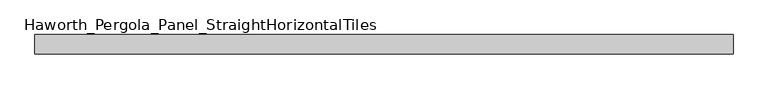
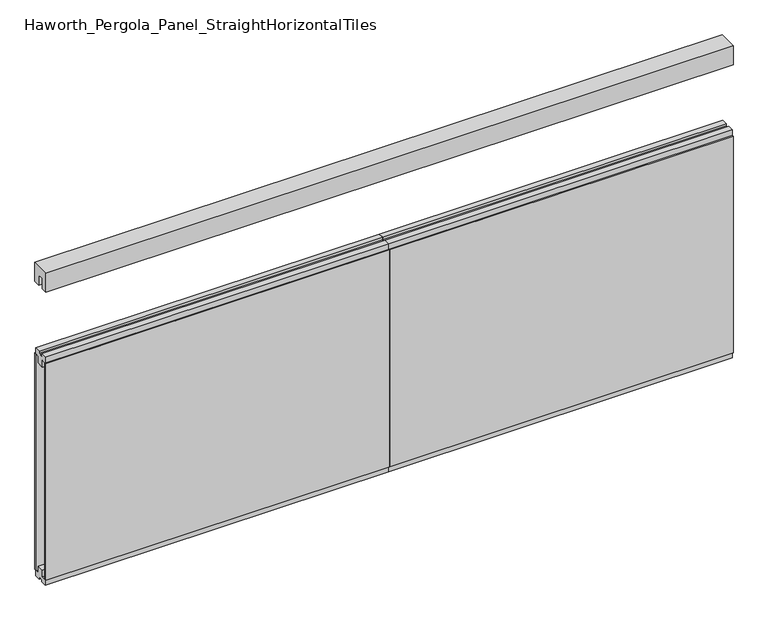
"""IFC4 building model written with IfcOpenShell, lengths in millimetres: furniture geometry, Haworth_Pergola_Panel_StraightHorizontalTiles."""

import ifcopenshell
import ifcopenshell.guid

model = None  # the IFC model being written
_history = None  # IfcOwnerHistory: only IFC2X3 demands one
_inside = {}  # id of a spatial element -> (the spatial element, [elements in it])
_under = {}  # id of a project, library or spatial element -> (it, [spatial elements below it])
_declared = {}  # id of a project -> (the project, [libraries it declares])
_typed = {}  # id of a type object -> (the type object, [elements of that type])
_made_of = {}  # id of a material, layer set ... -> (it, [elements and type objects made of it])


def new_model(schema):
    """Start an empty IFC model of exactly this schema.

    Asked for "IFC4X3", IfcOpenShell would pick the latest addendum, in which some entities
    have other attributes; the version numbers below select the first issue.
    IFC2X3 requires an IfcOwnerHistory on every rooted entity: one is made here for all.
    """
    global model, _history
    if schema == "IFC4X3":
        model = ifcopenshell.file(schema_version=(4, 3, 0, 0))
    else:
        model = ifcopenshell.file(schema=schema)
    _inside.clear()
    _under.clear()
    _declared.clear()
    _typed.clear()
    _made_of.clear()
    _history = None
    if model.schema == "IFC2X3":
        org = make("IfcOrganization", Name="unknown")
        user = make(
            "IfcPersonAndOrganization",
            ThePerson=make("IfcPerson", FamilyName="unknown"),
            TheOrganization=org,
        )
        app = make(
            "IfcApplication",
            ApplicationDeveloper=org,
            Version="unknown",
            ApplicationFullName="unknown",
            ApplicationIdentifier="unknown",
        )
        _history = make(
            "IfcOwnerHistory",
            OwningUser=user,
            OwningApplication=app,
            ChangeAction="ADDED",
            CreationDate=0,
        )
    return model


def make(cls, **values):
    """One entity of the class cls with the attributes given. An attribute that is None is left unset."""
    return model.create_entity(
        cls, **{name: value for name, value in values.items() if value is not None}
    )


def rooted(cls, **values):
    """An entity with a GlobalId (a new one), such as an element, a storey or a relation."""
    return make(cls, GlobalId=ifcopenshell.guid.new(), OwnerHistory=_history, **values)


def si_unit(unit_type, name, prefix=None):
    """IfcSIUnit, for example si_unit("LENGTHUNIT", "METRE", prefix="MILLI")."""
    return make("IfcSIUnit", UnitType=unit_type, Prefix=prefix, Name=name)


def assignment(units):
    """IfcUnitAssignment: the units of a project."""
    return None if units is None else make("IfcUnitAssignment", Units=units)


def point(xyz):
    """IfcCartesianPoint."""
    return None if xyz is None else make("IfcCartesianPoint", Coordinates=xyz)


def direction(xyz):
    """IfcDirection."""
    return None if xyz is None else make("IfcDirection", DirectionRatios=xyz)


def frame(location, z_axis=None, x_axis=None):
    """IfcAxis2Placement3D, a coordinate frame: its origin and axes. An axis left out is left unset."""
    return make(
        "IfcAxis2Placement3D",
        Location=point(location),
        Axis=direction(z_axis),
        RefDirection=direction(x_axis),
    )


def origin():
    """The frame at (0, 0, 0) with its axes left unset."""
    return frame((0.0, 0.0, 0.0))


def place(relative_to, where):
    """IfcLocalPlacement: puts the frame where relative to a parent placement (None: the world)."""
    return make(
        "IfcLocalPlacement", PlacementRelTo=relative_to, RelativePlacement=where
    )


def context(
    kind, dimensions, precision=None, world=None, true_north=None, identifier=None
):
    """IfcGeometricRepresentationContext, for example the 3D "Model" context."""
    return make(
        "IfcGeometricRepresentationContext",
        ContextIdentifier=identifier,
        ContextType=kind,
        CoordinateSpaceDimension=dimensions,
        Precision=precision,
        WorldCoordinateSystem=world,
        TrueNorth=true_north,
    )


def project(units=None, contexts=None):
    """IfcProject with its units and contexts."""
    return rooted(
        "IfcProject",
        Name="project",
        RepresentationContexts=contexts,
        UnitsInContext=assignment(units),
    )


def spatial(cls, under=None, at=None, **own):
    """A site, building, storey or space (cls), placed at a placement, below another one or the project."""
    s = rooted(cls, ObjectPlacement=at, **own)
    if under is not None:
        _under.setdefault(under.id(), (under, []))[1].append(s)
    return s


def polyline(points):
    """IfcPolyline through the points."""
    return make("IfcPolyline", Points=[point(p) for p in points])


def outline(outer, holes=None, kind="AREA"):
    """IfcArbitraryClosedProfileDef: a profile drawn as a closed curve; with holes, ...WithVoids."""
    if holes is None:
        return make("IfcArbitraryClosedProfileDef", ProfileType=kind, OuterCurve=outer)
    return make(
        "IfcArbitraryProfileDefWithVoids",
        ProfileType=kind,
        OuterCurve=outer,
        InnerCurves=holes,
    )


def extrude(swept, where, along, depth):
    """IfcExtrudedAreaSolid: the profile swept, set in the frame where, extruded along a direction by depth."""
    return make(
        "IfcExtrudedAreaSolid",
        SweptArea=swept,
        Position=where,
        ExtrudedDirection=direction(along),
        Depth=depth,
    )


def shape(context_of_items, identifier, shape_type, items):
    """IfcShapeRepresentation: the items that make up one representation, for example the "Body"."""
    return make(
        "IfcShapeRepresentation",
        ContextOfItems=context_of_items,
        RepresentationIdentifier=identifier,
        RepresentationType=shape_type,
        Items=items,
    )


def source(mapping_origin, context_of_items, identifier, shape_type, items):
    """IfcRepresentationMap: a shape defined once, which mapped items show again and again."""
    return make(
        "IfcRepresentationMap",
        MappingOrigin=mapping_origin,
        MappedRepresentation=shape(context_of_items, identifier, shape_type, items),
    )


def transform(
    local_origin,
    x_axis=None,
    y_axis=None,
    z_axis=None,
    scale=None,
    scale2=None,
    scale3=None,
    uniform=True,
):
    """IfcCartesianTransformationOperator3D, or its non-uniform kind. x_axis, y_axis, z_axis: its Axis1, 2, 3."""
    if uniform:
        return make(
            "IfcCartesianTransformationOperator3D",
            Axis1=direction(x_axis),
            Axis2=direction(y_axis),
            LocalOrigin=point(local_origin),
            Scale=scale,
            Axis3=direction(z_axis),
        )
    return make(
        "IfcCartesianTransformationOperator3DnonUniform",
        Axis1=direction(x_axis),
        Axis2=direction(y_axis),
        LocalOrigin=point(local_origin),
        Scale=scale,
        Axis3=direction(z_axis),
        Scale2=scale2,
        Scale3=scale3,
    )


def mapped(mapping_source, mapping_target):
    """IfcMappedItem: shows the shape of a source again, moved by a transform."""
    return make(
        "IfcMappedItem", MappingSource=mapping_source, MappingTarget=mapping_target
    )


def made_of(thing, what):
    """Note that an element or type object is made of a material, layer set ...; save() writes the relation."""
    if what is not None:
        _made_of.setdefault(what.id(), (what, []))[1].append(thing)
    return thing


def element(
    cls,
    number,
    at=None,
    inside=None,
    cuts=None,
    type_object=None,
    material=None,
    context=None,
    identifier="Body",
    shape_type=None,
    held_by="IfcProductDefinitionShape",
    body=None,
    shapes=None,
    **own,
):
    """One element of the class cls, such as IfcWall. Its Tag is "e" and its number.

    at: its placement. inside: the storey or other place that contains it. cuts: it is an
    opening in that element (IfcRelVoidsElement). A single representation is given by context,
    identifier, shape_type and body (its items); several are given by shapes. held_by: the class
    of the entity that holds the representations. save() writes the other relations.
    """
    e = rooted(cls, Tag="e%d" % number, ObjectPlacement=at, **own)
    if body is not None:
        shapes = [shape(context, identifier, shape_type, body)]
    if shapes is not None:
        e.Representation = make(held_by, Representations=shapes)
    if inside is not None:
        _inside.setdefault(inside.id(), (inside, []))[1].append(e)
    if cuts is not None:
        rooted(
            "IfcRelVoidsElement", RelatingBuildingElement=cuts, RelatedOpeningElement=e
        )
    if type_object is not None:
        _typed.setdefault(type_object.id(), (type_object, []))[1].append(e)
    return made_of(e, material)


def aggregate(whole, parts):
    """IfcRelAggregates: a whole, such as a stair, and the parts it consists of."""
    return rooted("IfcRelAggregates", RelatingObject=whole, RelatedObjects=parts)


def save(model, path):
    """Write the relations noted so far, then the file.

    IfcRelAggregates (storeys below a building ...), IfcRelContainedInSpatialStructure (elements
    in a storey), IfcRelDefinesByType, IfcRelAssociatesMaterial and IfcRelDeclares: one each for
    every whole, place, type object, material and project.
    """
    for whole, parts in _under.values():
        aggregate(whole, parts)
    for where, things in _inside.values():
        rooted(
            "IfcRelContainedInSpatialStructure",
            RelatedElements=things,
            RelatingStructure=where,
        )
    for kind, things in _typed.values():
        rooted("IfcRelDefinesByType", RelatedObjects=things, RelatingType=kind)
    for what, things in _made_of.values():
        rooted("IfcRelAssociatesMaterial", RelatedObjects=things, RelatingMaterial=what)
    for by, libraries in _declared.values():
        rooted("IfcRelDeclares", RelatingContext=by, RelatedDefinitions=libraries)
    model.write(path)


def haworth_pergola_panel_straighthorizontaltiles_b10164fe(model_context):
    return source(origin(), model_context, "Body", "SweptSolid", [
        extrude(outline(polyline([(12.7, 679.45), (12.7, 692.15), (-12.7, 692.15), (-12.7, 679.45), (-44.45, 679.45), (-44.45, 711.2), (-19.05, 711.2), (-19.05, 749.3), (19.05, 749.3), (19.05, 711.2), (44.45, 711.2), (44.45, 679.45), (12.7, 679.45)])), frame((38.1, 0.0, 0.0), z_axis=(1.0, 0.0, 0.0), x_axis=(0.0, 1.0, 0.0)), (0.0, 0.0, 1.0), 1828.8),
        extrude(outline(polyline([(12.7, 1962.15), (44.45, 1962.15), (44.45, 1930.4), (19.05, 1930.4), (19.05, 1892.3), (-19.05, 1892.3), (-19.05, 1930.4), (-44.45, 1930.4), (-44.45, 1962.15), (-12.7, 1962.15), (-12.7, 1949.45), (12.7, 1949.45), (12.7, 1962.15)])), frame((38.1, 0.0, 0.0), z_axis=(1.0, 0.0, 0.0), x_axis=(0.0, 1.0, 0.0)), (0.0, 0.0, 1.0), 1828.8),
        extrude(outline(polyline([(38.1, 50.8), (1866.9, 50.8), (1866.9, 38.1), (38.1, 38.1), (38.1, 50.8)])), frame((0.0, 0.0, 711.2), z_axis=(0.0, 0.0, 1.0), x_axis=(1.0, 0.0, 0.0)), (0.0, 0.0, 1.0), 1219.2),
        extrude(outline(polyline([(38.1, -38.1), (1866.9, -38.1), (1866.9, -50.8), (38.1, -50.8), (38.1, -38.1)])), frame((0.0, 0.0, 711.2), z_axis=(0.0, 0.0, 1.0), x_axis=(1.0, 0.0, 0.0)), (0.0, 0.0, 1.0), 1219.2),
        extrude(outline(polyline([(12.7, 679.45), (12.7, 692.15), (-12.7, 692.15), (-12.7, 679.45), (-44.45, 679.45), (-44.45, 711.2), (-19.05, 711.2), (-19.05, 749.3), (19.05, 749.3), (19.05, 711.2), (44.45, 711.2), (44.45, 679.45), (12.7, 679.45)])), frame((-1790.7, 0.0, 0.0), z_axis=(1.0, 0.0, 0.0), x_axis=(0.0, 1.0, 0.0)), (0.0, 0.0, 1.0), 1828.8),
        extrude(outline(polyline([(12.7, 1962.15), (44.45, 1962.15), (44.45, 1930.4), (19.05, 1930.4), (19.05, 1892.3), (-19.05, 1892.3), (-19.05, 1930.4), (-44.45, 1930.4), (-44.45, 1962.15), (-12.7, 1962.15), (-12.7, 1949.45), (12.7, 1949.45), (12.7, 1962.15)])), frame((-1790.7, 0.0, 0.0), z_axis=(1.0, 0.0, 0.0), x_axis=(0.0, 1.0, 0.0)), (0.0, 0.0, 1.0), 1828.8),
        extrude(outline(polyline([(-1790.7, 50.8), (38.1, 50.8), (38.1, 38.1), (-1790.7, 38.1), (-1790.7, 50.8)])), frame((0.0, 0.0, 711.2), z_axis=(0.0, 0.0, 1.0), x_axis=(1.0, 0.0, 0.0)), (0.0, 0.0, 1.0), 1219.2),
        extrude(outline(polyline([(-1790.7, -38.1), (38.1, -38.1), (38.1, -50.8), (-1790.7, -50.8), (-1790.7, -38.1)])), frame((0.0, 0.0, 711.2), z_axis=(0.0, 0.0, 1.0), x_axis=(1.0, 0.0, 0.0)), (0.0, 0.0, 1.0), 1219.2),
        extrude(outline(polyline([(-50.8, 2438.4), (50.8, 2438.4), (50.8, 2331.8390625), (15.2182948, 2331.8390625), (15.2182948, 2388.7001663), (-15.2182948, 2388.7001663), (-15.2182948, 2331.8390625), (-50.8, 2331.8390625), (-50.8, 2438.4)])), frame((-1790.7, 0.0, 0.0), z_axis=(1.0, 0.0, 0.0), x_axis=(0.0, 1.0, 0.0)), (0.0, 0.0, 1.0), 3657.6),
    ])


if __name__ == "__main__":
    model = new_model("IFC4")
    model_context = context("Model", 3, world=origin())
    ifc_project = project(units=[si_unit("LENGTHUNIT", "METRE", prefix="MILLI")], contexts=[model_context])
    site = spatial("IfcSite", under=ifc_project)
    building = spatial("IfcBuilding", under=site)
    placement = place(None, origin())
    haworth_pergola_panel_straighthorizontaltiles_shape = haworth_pergola_panel_straighthorizontaltiles_b10164fe(model_context)
    element("IfcFurniture", 1, ObjectType="Haworth_Pergola_Panel_StraightHorizontalTiles", at=placement, inside=building, context=model_context, shape_type="MappedRepresentation", body=[
        mapped(haworth_pergola_panel_straighthorizontaltiles_shape, transform((0.0, 0.0, 0.0), x_axis=(1.0, 0.0, 0.0), y_axis=(0.0, 1.0, 0.0), z_axis=(0.0, 0.0, 1.0))),
    ])
    save(model, "model.ifc")
